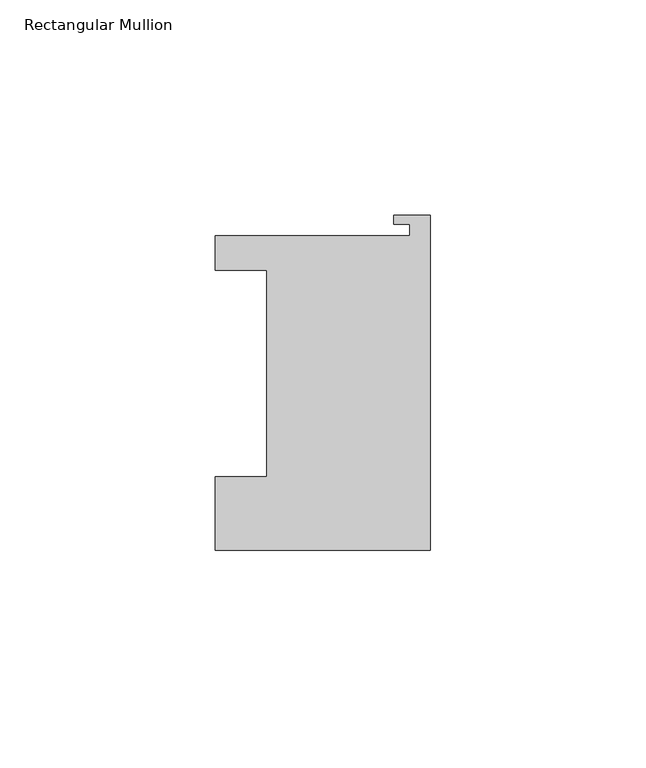
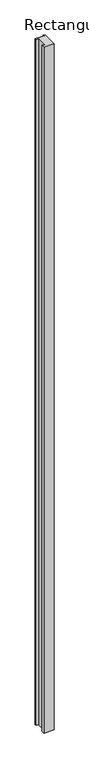
"""IFC4 building model written with IfcOpenShell, lengths in millimetres: member geometry, Rectangular Mullion."""

from ifc_helpers import new_model, si_unit, frame, origin, place, context, project, spatial, polyline, outline, extrude, source, transform, mapped, element, save


def rectangular_mullion_0b15aa51(model_context):
    return source(origin(), model_context, "Body", "SweptSolid", [
        extrude(outline(polyline([(-50.0, 24.0030656), (-50.0, 32.0030656), (-4.8, 32.0030656), (-4.8, 34.7030656), (-8.5, 34.7030656), (-8.5, 36.8030656), (0.0, 36.8030656), (0.0, -41.0), (-50.0, -41.0), (-50.0, -23.9969344), (-38.0, -23.9969344), (-38.0, 24.0030656), (-50.0, 24.0030656)])), frame((0.0, 0.0, -3560.0), z_axis=(0.0, 0.0, 1.0), x_axis=(1.0, 0.0, 0.0)), (0.0, 0.0, 1.0), 3560.0),
    ])


if __name__ == "__main__":
    model = new_model("IFC4")
    model_context = context("Model", 3, world=origin())
    ifc_project = project(units=[si_unit("LENGTHUNIT", "METRE", prefix="MILLI")], contexts=[model_context])
    site = spatial("IfcSite", under=ifc_project)
    building = spatial("IfcBuilding", under=site)
    placement = place(None, origin())
    rectangular_mullion_shape = rectangular_mullion_0b15aa51(model_context)
    element("IfcMember", 1, ObjectType="Rectangular Mullion", at=placement, inside=building, context=model_context, shape_type="MappedRepresentation", body=[
        mapped(rectangular_mullion_shape, transform((0.0, 0.0, 0.0), x_axis=(1.0, 0.0, 0.0), y_axis=(0.0, 1.0, 0.0), z_axis=(0.0, 0.0, 1.0))),
    ])
    save(model, "model.ifc")
